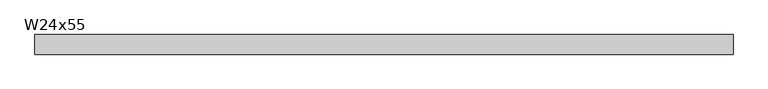
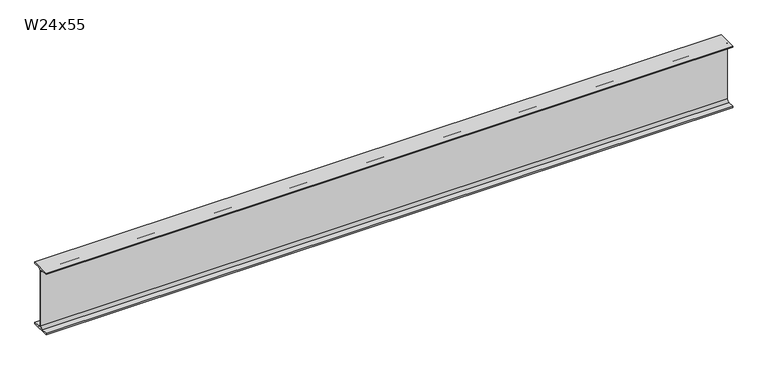
"""IFC4 building model written with IfcOpenShell, lengths in millimetres: beam geometry, W24x55."""

from ifc_helpers import new_model, si_unit, point, frame, frame_2d, origin, place, context, project, spatial, polyline, circle_curve, trimmed, segment, composite_curve, outline, extrude, source, transform, mapped, element, save


def w24x55_cd5c8297(model_context):
    return source(origin(), model_context, "Body", "SweptSolid", [
        extrude(outline(composite_curve([segment(polyline([(89.027, -286.893), (89.027, -299.72), (-89.027, -299.72), (-89.027, -286.893), (-28.702, -286.893)]), True, "CONTINUOUS"), segment(trimmed(circle_curve(frame_2d((-28.702, -263.2075)), 23.6855), [point((-28.702, -286.893))], [point((-5.0165, -263.2075))], True, "CARTESIAN"), True, "CONTINUOUS"), segment(polyline([(-5.0165, -263.2075), (-5.0165, 263.2075)]), True, "CONTINUOUS"), segment(trimmed(circle_curve(frame_2d((-28.702, 263.2075)), 23.6855), [point((-5.0165, 263.2075))], [point((-28.702, 286.893))], True, "CARTESIAN"), True, "CONTINUOUS"), segment(polyline([(-28.702, 286.893), (-89.027, 286.893), (-89.027, 299.72), (89.027, 299.72), (89.027, 286.893), (28.702, 286.893)]), True, "CONTINUOUS"), segment(trimmed(circle_curve(frame_2d((28.702, 263.2075)), 23.6855), [point((28.702, 286.893))], [point((5.0165, 263.2075))], True, "CARTESIAN"), True, "CONTINUOUS"), segment(polyline([(5.0165, 263.2075), (5.0165, -263.2075)]), True, "CONTINUOUS"), segment(trimmed(circle_curve(frame_2d((28.702, -263.2075)), 23.6855), [point((5.0165, -263.2075))], [point((28.702, -286.893))], True, "CARTESIAN"), True, "CONTINUOUS"), segment(polyline([(28.702, -286.893), (89.027, -286.893)]), True, "CONTINUOUS")], self_intersect=False)), frame((-3135.63, 0.0, 0.0), z_axis=(1.0, 0.0, 0.0), x_axis=(0.0, 1.0, 0.0)), (0.0, 0.0, 1.0), 6323.203),
    ])


if __name__ == "__main__":
    model = new_model("IFC4")
    model_context = context("Model", 3, world=origin())
    ifc_project = project(units=[si_unit("LENGTHUNIT", "METRE", prefix="MILLI")], contexts=[model_context])
    site = spatial("IfcSite", under=ifc_project)
    building = spatial("IfcBuilding", under=site)
    placement = place(None, origin())
    w24x55_shape = w24x55_cd5c8297(model_context)
    element("IfcBeam", 1, ObjectType="W24x55", at=placement, inside=building, context=model_context, shape_type="MappedRepresentation", body=[
        mapped(w24x55_shape, transform((0.0, 0.0, 0.0), x_axis=(1.0, 0.0, 0.0), y_axis=(0.0, 1.0, 0.0), z_axis=(0.0, 0.0, 1.0))),
    ])
    save(model, "model.ifc")
